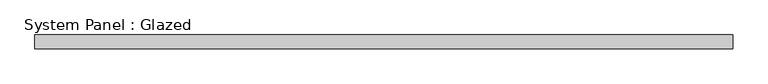
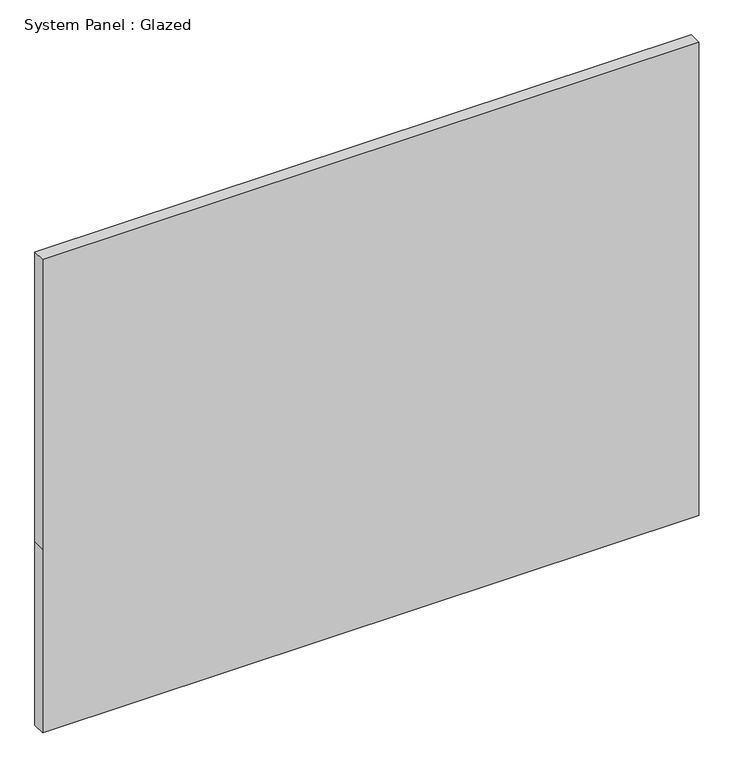
"""IFC4 building model written with IfcOpenShell, lengths in millimetres: plate geometry, System Panel : Glazed."""

import ifcopenshell
import ifcopenshell.guid

model = None  # the IFC model being written
_history = None  # IfcOwnerHistory: only IFC2X3 demands one
_inside = {}  # id of a spatial element -> (the spatial element, [elements in it])
_under = {}  # id of a project, library or spatial element -> (it, [spatial elements below it])
_declared = {}  # id of a project -> (the project, [libraries it declares])
_typed = {}  # id of a type object -> (the type object, [elements of that type])
_made_of = {}  # id of a material, layer set ... -> (it, [elements and type objects made of it])


def new_model(schema):
    """Start an empty IFC model of exactly this schema.

    Asked for "IFC4X3", IfcOpenShell would pick the latest addendum, in which some entities
    have other attributes; the version numbers below select the first issue.
    IFC2X3 requires an IfcOwnerHistory on every rooted entity: one is made here for all.
    """
    global model, _history
    if schema == "IFC4X3":
        model = ifcopenshell.file(schema_version=(4, 3, 0, 0))
    else:
        model = ifcopenshell.file(schema=schema)
    _inside.clear()
    _under.clear()
    _declared.clear()
    _typed.clear()
    _made_of.clear()
    _history = None
    if model.schema == "IFC2X3":
        org = make("IfcOrganization", Name="unknown")
        user = make(
            "IfcPersonAndOrganization",
            ThePerson=make("IfcPerson", FamilyName="unknown"),
            TheOrganization=org,
        )
        app = make(
            "IfcApplication",
            ApplicationDeveloper=org,
            Version="unknown",
            ApplicationFullName="unknown",
            ApplicationIdentifier="unknown",
        )
        _history = make(
            "IfcOwnerHistory",
            OwningUser=user,
            OwningApplication=app,
            ChangeAction="ADDED",
            CreationDate=0,
        )
    return model


def make(cls, **values):
    """One entity of the class cls with the attributes given. An attribute that is None is left unset."""
    return model.create_entity(
        cls, **{name: value for name, value in values.items() if value is not None}
    )


def rooted(cls, **values):
    """An entity with a GlobalId (a new one), such as an element, a storey or a relation."""
    return make(cls, GlobalId=ifcopenshell.guid.new(), OwnerHistory=_history, **values)


def si_unit(unit_type, name, prefix=None):
    """IfcSIUnit, for example si_unit("LENGTHUNIT", "METRE", prefix="MILLI")."""
    return make("IfcSIUnit", UnitType=unit_type, Prefix=prefix, Name=name)


def assignment(units):
    """IfcUnitAssignment: the units of a project."""
    return None if units is None else make("IfcUnitAssignment", Units=units)


def point(xyz):
    """IfcCartesianPoint."""
    return None if xyz is None else make("IfcCartesianPoint", Coordinates=xyz)


def direction(xyz):
    """IfcDirection."""
    return None if xyz is None else make("IfcDirection", DirectionRatios=xyz)


def frame(location, z_axis=None, x_axis=None):
    """IfcAxis2Placement3D, a coordinate frame: its origin and axes. An axis left out is left unset."""
    return make(
        "IfcAxis2Placement3D",
        Location=point(location),
        Axis=direction(z_axis),
        RefDirection=direction(x_axis),
    )


def origin():
    """The frame at (0, 0, 0) with its axes left unset."""
    return frame((0.0, 0.0, 0.0))


def place(relative_to, where):
    """IfcLocalPlacement: puts the frame where relative to a parent placement (None: the world)."""
    return make(
        "IfcLocalPlacement", PlacementRelTo=relative_to, RelativePlacement=where
    )


def context(
    kind, dimensions, precision=None, world=None, true_north=None, identifier=None
):
    """IfcGeometricRepresentationContext, for example the 3D "Model" context."""
    return make(
        "IfcGeometricRepresentationContext",
        ContextIdentifier=identifier,
        ContextType=kind,
        CoordinateSpaceDimension=dimensions,
        Precision=precision,
        WorldCoordinateSystem=world,
        TrueNorth=true_north,
    )


def project(units=None, contexts=None):
    """IfcProject with its units and contexts."""
    return rooted(
        "IfcProject",
        Name="project",
        RepresentationContexts=contexts,
        UnitsInContext=assignment(units),
    )


def spatial(cls, under=None, at=None, **own):
    """A site, building, storey or space (cls), placed at a placement, below another one or the project."""
    s = rooted(cls, ObjectPlacement=at, **own)
    if under is not None:
        _under.setdefault(under.id(), (under, []))[1].append(s)
    return s


def polyline(points):
    """IfcPolyline through the points."""
    return make("IfcPolyline", Points=[point(p) for p in points])


def outline(outer, holes=None, kind="AREA"):
    """IfcArbitraryClosedProfileDef: a profile drawn as a closed curve; with holes, ...WithVoids."""
    if holes is None:
        return make("IfcArbitraryClosedProfileDef", ProfileType=kind, OuterCurve=outer)
    return make(
        "IfcArbitraryProfileDefWithVoids",
        ProfileType=kind,
        OuterCurve=outer,
        InnerCurves=holes,
    )


def extrude(swept, where, along, depth):
    """IfcExtrudedAreaSolid: the profile swept, set in the frame where, extruded along a direction by depth."""
    return make(
        "IfcExtrudedAreaSolid",
        SweptArea=swept,
        Position=where,
        ExtrudedDirection=direction(along),
        Depth=depth,
    )


def shape(context_of_items, identifier, shape_type, items):
    """IfcShapeRepresentation: the items that make up one representation, for example the "Body"."""
    return make(
        "IfcShapeRepresentation",
        ContextOfItems=context_of_items,
        RepresentationIdentifier=identifier,
        RepresentationType=shape_type,
        Items=items,
    )


def source(mapping_origin, context_of_items, identifier, shape_type, items):
    """IfcRepresentationMap: a shape defined once, which mapped items show again and again."""
    return make(
        "IfcRepresentationMap",
        MappingOrigin=mapping_origin,
        MappedRepresentation=shape(context_of_items, identifier, shape_type, items),
    )


def transform(
    local_origin,
    x_axis=None,
    y_axis=None,
    z_axis=None,
    scale=None,
    scale2=None,
    scale3=None,
    uniform=True,
):
    """IfcCartesianTransformationOperator3D, or its non-uniform kind. x_axis, y_axis, z_axis: its Axis1, 2, 3."""
    if uniform:
        return make(
            "IfcCartesianTransformationOperator3D",
            Axis1=direction(x_axis),
            Axis2=direction(y_axis),
            LocalOrigin=point(local_origin),
            Scale=scale,
            Axis3=direction(z_axis),
        )
    return make(
        "IfcCartesianTransformationOperator3DnonUniform",
        Axis1=direction(x_axis),
        Axis2=direction(y_axis),
        LocalOrigin=point(local_origin),
        Scale=scale,
        Axis3=direction(z_axis),
        Scale2=scale2,
        Scale3=scale3,
    )


def mapped(mapping_source, mapping_target):
    """IfcMappedItem: shows the shape of a source again, moved by a transform."""
    return make(
        "IfcMappedItem", MappingSource=mapping_source, MappingTarget=mapping_target
    )


def made_of(thing, what):
    """Note that an element or type object is made of a material, layer set ...; save() writes the relation."""
    if what is not None:
        _made_of.setdefault(what.id(), (what, []))[1].append(thing)
    return thing


def element(
    cls,
    number,
    at=None,
    inside=None,
    cuts=None,
    type_object=None,
    material=None,
    context=None,
    identifier="Body",
    shape_type=None,
    held_by="IfcProductDefinitionShape",
    body=None,
    shapes=None,
    **own,
):
    """One element of the class cls, such as IfcWall. Its Tag is "e" and its number.

    at: its placement. inside: the storey or other place that contains it. cuts: it is an
    opening in that element (IfcRelVoidsElement). A single representation is given by context,
    identifier, shape_type and body (its items); several are given by shapes. held_by: the class
    of the entity that holds the representations. save() writes the other relations.
    """
    e = rooted(cls, Tag="e%d" % number, ObjectPlacement=at, **own)
    if body is not None:
        shapes = [shape(context, identifier, shape_type, body)]
    if shapes is not None:
        e.Representation = make(held_by, Representations=shapes)
    if inside is not None:
        _inside.setdefault(inside.id(), (inside, []))[1].append(e)
    if cuts is not None:
        rooted(
            "IfcRelVoidsElement", RelatingBuildingElement=cuts, RelatedOpeningElement=e
        )
    if type_object is not None:
        _typed.setdefault(type_object.id(), (type_object, []))[1].append(e)
    return made_of(e, material)


def aggregate(whole, parts):
    """IfcRelAggregates: a whole, such as a stair, and the parts it consists of."""
    return rooted("IfcRelAggregates", RelatingObject=whole, RelatedObjects=parts)


def save(model, path):
    """Write the relations noted so far, then the file.

    IfcRelAggregates (storeys below a building ...), IfcRelContainedInSpatialStructure (elements
    in a storey), IfcRelDefinesByType, IfcRelAssociatesMaterial and IfcRelDeclares: one each for
    every whole, place, type object, material and project.
    """
    for whole, parts in _under.values():
        aggregate(whole, parts)
    for where, things in _inside.values():
        rooted(
            "IfcRelContainedInSpatialStructure",
            RelatedElements=things,
            RelatingStructure=where,
        )
    for kind, things in _typed.values():
        rooted("IfcRelDefinesByType", RelatedObjects=things, RelatingType=kind)
    for what, things in _made_of.values():
        rooted("IfcRelAssociatesMaterial", RelatedObjects=things, RelatingMaterial=what)
    for by, libraries in _declared.values():
        rooted("IfcRelDeclares", RelatingContext=by, RelatedDefinitions=libraries)
    model.write(path)


def system_panel_glazed_9a19954f(model_context):
    return source(origin(), model_context, "Body", "SweptSolid", [
        extrude(outline(polyline([(0.0, -622.7), (0.0, 622.7), (368.3, 622.7), (949.5465815, 622.7), (949.5465815, -622.7), (368.3, -622.7), (0.0, -622.7)])), frame((0.0, 24.5, 0.0), z_axis=(0.0, 1.0, 0.0), x_axis=(0.0, 0.0, 1.0)), (0.0, 0.0, 1.0), 25.0),
    ])


if __name__ == "__main__":
    model = new_model("IFC4")
    model_context = context("Model", 3, world=origin())
    ifc_project = project(units=[si_unit("LENGTHUNIT", "METRE", prefix="MILLI")], contexts=[model_context])
    site = spatial("IfcSite", under=ifc_project)
    building = spatial("IfcBuilding", under=site)
    placement = place(None, origin())
    system_panel_glazed_shape = system_panel_glazed_9a19954f(model_context)
    element("IfcPlate", 1, ObjectType="System Panel : Glazed", at=placement, inside=building, context=model_context, shape_type="MappedRepresentation", body=[
        mapped(system_panel_glazed_shape, transform((0.0, 0.0, 0.0), x_axis=(1.0, 0.0, 0.0), y_axis=(0.0, 1.0, 0.0), z_axis=(0.0, 0.0, 1.0))),
    ])
    save(model, "model.ifc")
